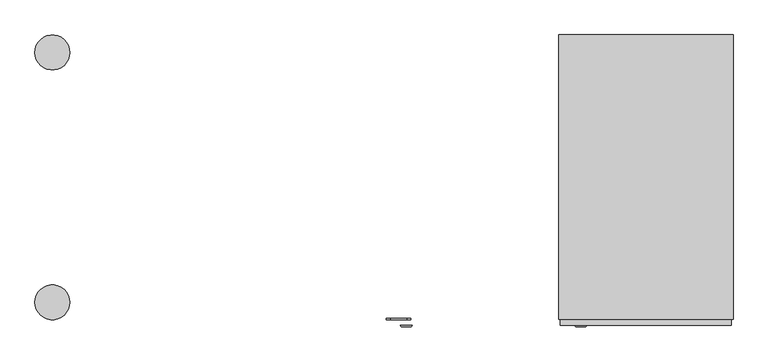
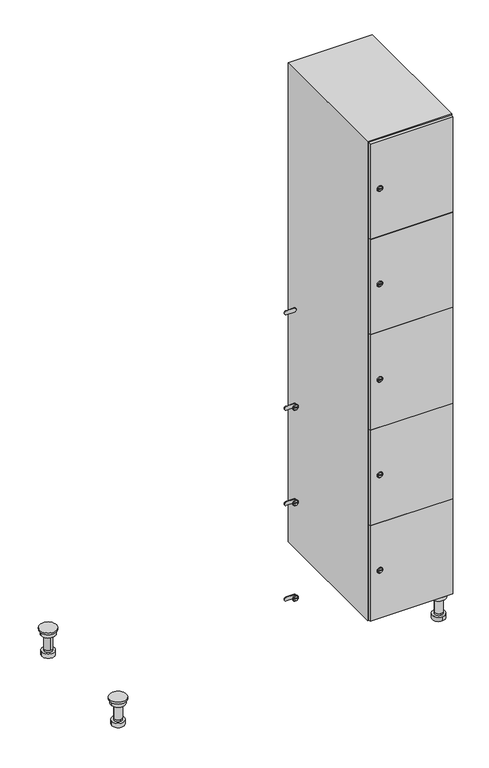
"""IFC4 building model written with IfcOpenShell, lengths in millimetres: furniture geometry."""

from ifc_helpers import new_model, si_unit, point, frame, frame_2d, origin, place, context, project, spatial, polyline, circle_curve, trimmed, segment, composite_curve, outline, extrude, faceted_brep, source, transform, mapped, element, save
from ifc_brep_helpers import plane_surface, cylinder_surface, revolved_surface, advanced_brep


def furniture_2a9c1879(model_context):
    return source(origin(), model_context, "Body", "SolidModel", [
        advanced_brep(
        [(970.0, -201.0, 22.0), (970.0, -201.5, 16.0), (970.0, -228.5, 16.0), (970.0, -229.0, 22.0), (956.0, -215.0, 22.0), (984.0, -215.0, 22.0), (970.0, -192.5, 16.0), (970.0, -237.5, 16.0), (970.0, -192.5, 0.0), (970.0, -237.5, 0.0), (984.0, -215.0, 78.0), (956.0, -215.0, 78.0), (995.0, -215.0, 78.0), (945.0, -215.0, 78.0), (1000.0, -215.0, 94.0), (940.0, -215.0, 94.0), (945.0, -215.0, 94.0), (995.0, -215.0, 94.0), (1000.0, -215.0, 100.0), (940.0, -215.0, 100.0)],
        [
            (0, 1),
            (1, 2, circle_curve(frame((970.0, -215.0, 16.0), z_axis=(0.0, 0.0, 1.0), x_axis=(0.0, -1.0, 0.0)), 13.5)),
            (2, 3),
            (3, 4, circle_curve(frame((970.0, -215.0, 22.0), z_axis=(0.0, 0.0, -1.0), x_axis=(0.0, -1.0, 0.0)), 14.0)),
            (4, 0, circle_curve(frame((970.0, -215.0, 22.0), z_axis=(0.0, 0.0, -1.0), x_axis=(0.0, -1.0, 0.0)), 14.0)),
            (0, 5, circle_curve(frame((970.0, -215.0, 22.0), z_axis=(0.0, 0.0, -1.0), x_axis=(0.0, 1.0, 0.0)), 14.0)),
            (5, 3, circle_curve(frame((970.0, -215.0, 22.0), z_axis=(0.0, 0.0, -1.0), x_axis=(0.0, 1.0, 0.0)), 14.0)),
            (2, 1, circle_curve(frame((970.0, -215.0, 16.0), z_axis=(0.0, 0.0, 1.0), x_axis=(0.0, 1.0, 0.0)), 13.5)),
            (6, 7, circle_curve(frame((970.0, -215.0, 16.0), z_axis=(0.0, 0.0, 1.0), x_axis=(0.0, -1.0, 0.0)), 22.5)),
            (7, 6, circle_curve(frame((970.0, -215.0, 16.0), z_axis=(0.0, 0.0, 1.0), x_axis=(0.0, -1.0, 0.0)), 22.5)),
            (8, 9, circle_curve(frame((970.0, -215.0, 0.0), z_axis=(0.0, 0.0, -1.0), x_axis=(0.0, -1.0, 0.0)), 22.5)),
            (9, 8, circle_curve(frame((970.0, -215.0, 0.0), z_axis=(0.0, 0.0, -1.0), x_axis=(0.0, -1.0, 0.0)), 22.5)),
            (6, 8),
            (9, 7),
            (5, 10),
            (10, 11, circle_curve(frame((970.0, -215.0, 78.0), z_axis=(0.0, 0.0, -1.0), x_axis=(-1.0, 0.0, 0.0)), 14.0)),
            (11, 4),
            (11, 10, circle_curve(frame((970.0, -215.0, 78.0), z_axis=(0.0, 0.0, -1.0), x_axis=(-1.0, 0.0, 0.0)), 14.0)),
            (12, 13, circle_curve(frame((970.0, -215.0, 78.0), z_axis=(0.0, 0.0, -1.0), x_axis=(-1.0, 0.0, 0.0)), 25.0)),
            (13, 12, circle_curve(frame((970.0, -215.0, 78.0), z_axis=(0.0, 0.0, -1.0), x_axis=(-1.0, 0.0, 0.0)), 25.0)),
            (14, 15, circle_curve(frame((970.0, -215.0, 94.0), z_axis=(0.0, 0.0, -1.0), x_axis=(-1.0, 0.0, 0.0)), 30.0)),
            (15, 14, circle_curve(frame((970.0, -215.0, 94.0), z_axis=(0.0, 0.0, -1.0), x_axis=(-1.0, 0.0, 0.0)), 30.0)),
            (16, 17, circle_curve(frame((970.0, -215.0, 94.0), z_axis=(0.0, 0.0, 1.0), x_axis=(-1.0, 0.0, 0.0)), 25.0)),
            (17, 16, circle_curve(frame((970.0, -215.0, 94.0), z_axis=(0.0, 0.0, 1.0), x_axis=(-1.0, 0.0, 0.0)), 25.0)),
            (18, 19, circle_curve(frame((970.0, -215.0, 100.0), z_axis=(0.0, 0.0, 1.0), x_axis=(-1.0, 0.0, 0.0)), 30.0)),
            (19, 18, circle_curve(frame((970.0, -215.0, 100.0), z_axis=(0.0, 0.0, 1.0), x_axis=(-1.0, 0.0, 0.0)), 30.0)),
            (14, 18),
            (19, 15),
            (12, 17),
            (16, 13),
        ],
        [
            revolved_surface(polyline([(970.0, -201.5, 16.0), (970.0, -201.0, 22.0)]), (970.0, -215.0, -146.0), (0.0, 0.0, 1.0)),
            plane_surface(frame((970.0, 0.0, 16.0), z_axis=(0.0, 0.0, 1.0), x_axis=(0.0, -1.0, 0.0))),
            plane_surface(frame((970.0, 0.0, 0.0), z_axis=(0.0, 0.0, -1.0), x_axis=(0.0, -1.0, 0.0))),
            cylinder_surface(frame((970.0, -215.0, 16.0), z_axis=(0.0, 0.0, 1.0), x_axis=(0.0, -1.0, 0.0)), 22.5),
            cylinder_surface(frame((970.0, -215.0, 22.0), z_axis=(0.0, 0.0, -1.0), x_axis=(-1.0, 0.0, 0.0)), 14.0),
            plane_surface(frame((970.0, 0.0, 78.0), z_axis=(0.0, 0.0, -1.0), x_axis=(0.0, -1.0, 0.0))),
            plane_surface(frame((970.0, 0.0, 94.0), z_axis=(0.0, 0.0, -1.0), x_axis=(0.0, -1.0, 0.0))),
            plane_surface(frame((970.0, 0.0, 100.0), z_axis=(0.0, 0.0, 1.0), x_axis=(0.0, -1.0, 0.0))),
            cylinder_surface(frame((970.0, -215.0, 94.0), z_axis=(0.0, 0.0, -1.0), x_axis=(-1.0, 0.0, 0.0)), 30.0),
            cylinder_surface(frame((970.0, -215.0, 78.0), z_axis=(0.0, 0.0, -1.0), x_axis=(-1.0, 0.0, 0.0)), 25.0),
        ],
        [
            (0, [[1, 2, 3, 4, 5]]),
            (0, [[-1, 6, 7, -3, 8]]),
            (1, [[9, 10], [-2, -8]]),
            (2, [[11, 12]]),
            (3, [[-9, 13, -12, 14]]),
            (3, [[-10, -14, -11, -13]]),
            (4, [[15, 16, 17, -4, -7]]),
            (4, [[-15, -6, -5, -17, 18]]),
            (5, [[19, 20], [-16, -18]]),
            (6, [[21, 22], [23, 24]]),
            (7, [[25, 26]]),
            (8, [[-21, 27, -26, 28]]),
            (8, [[-22, -28, -25, -27]]),
            (9, [[-19, 29, -23, 30]]),
            (9, [[-20, -30, -24, -29]]),
        ],
    ),
        advanced_brep(
        [(-170.0, -201.0, 22.0), (-170.0, -201.5, 16.0), (-170.0, -228.5, 16.0), (-170.0, -229.0, 22.0), (-184.0, -215.0, 22.0), (-156.0, -215.0, 22.0), (-147.5, -215.0, 0.0), (-192.5, -215.0, 0.0), (-147.5, -215.0, 16.0), (-192.5, -215.0, 16.0), (-156.0, -215.0, 78.0), (-184.0, -215.0, 78.0), (-145.0, -215.0, 78.0), (-195.0, -215.0, 78.0), (-140.0, -215.0, 94.0), (-200.0, -215.0, 94.0), (-195.0, -215.0, 94.0), (-145.0, -215.0, 94.0), (-140.0, -215.0, 100.0), (-200.0, -215.0, 100.0)],
        [
            (0, 1),
            (1, 2, circle_curve(frame((-170.0, -215.0, 16.0), z_axis=(0.0, 0.0, 1.0), x_axis=(0.0, -1.0, 0.0)), 13.5)),
            (2, 3),
            (3, 4, circle_curve(frame((-170.0, -215.0, 22.0), z_axis=(0.0, 0.0, -1.0), x_axis=(0.0, -1.0, 0.0)), 14.0)),
            (4, 0, circle_curve(frame((-170.0, -215.0, 22.0), z_axis=(0.0, 0.0, -1.0), x_axis=(0.0, -1.0, 0.0)), 14.0)),
            (0, 5, circle_curve(frame((-170.0, -215.0, 22.0), z_axis=(0.0, 0.0, -1.0), x_axis=(0.0, 1.0, 0.0)), 14.0)),
            (5, 3, circle_curve(frame((-170.0, -215.0, 22.0), z_axis=(0.0, 0.0, -1.0), x_axis=(0.0, 1.0, 0.0)), 14.0)),
            (2, 1, circle_curve(frame((-170.0, -215.0, 16.0), z_axis=(0.0, 0.0, 1.0), x_axis=(0.0, 1.0, 0.0)), 13.5)),
            (6, 7, circle_curve(frame((-170.0, -215.0, 0.0), z_axis=(0.0, 0.0, -1.0), x_axis=(-1.0, 0.0, 0.0)), 22.5)),
            (7, 6, circle_curve(frame((-170.0, -215.0, 0.0), z_axis=(0.0, 0.0, -1.0), x_axis=(-1.0, 0.0, 0.0)), 22.5)),
            (8, 9, circle_curve(frame((-170.0, -215.0, 16.0), z_axis=(0.0, 0.0, 1.0), x_axis=(-1.0, 0.0, 0.0)), 22.5)),
            (9, 8, circle_curve(frame((-170.0, -215.0, 16.0), z_axis=(0.0, 0.0, 1.0), x_axis=(-1.0, 0.0, 0.0)), 22.5)),
            (6, 8),
            (9, 7),
            (5, 10),
            (10, 11, circle_curve(frame((-170.0, -215.0, 78.0), z_axis=(0.0, 0.0, -1.0), x_axis=(-1.0, 0.0, 0.0)), 14.0)),
            (11, 4),
            (11, 10, circle_curve(frame((-170.0, -215.0, 78.0), z_axis=(0.0, 0.0, -1.0), x_axis=(-1.0, 0.0, 0.0)), 14.0)),
            (12, 13, circle_curve(frame((-170.0, -215.0, 78.0), z_axis=(0.0, 0.0, -1.0), x_axis=(-1.0, 0.0, 0.0)), 25.0)),
            (13, 12, circle_curve(frame((-170.0, -215.0, 78.0), z_axis=(0.0, 0.0, -1.0), x_axis=(-1.0, 0.0, 0.0)), 25.0)),
            (14, 15, circle_curve(frame((-170.0, -215.0, 94.0), z_axis=(0.0, 0.0, -1.0), x_axis=(-1.0, 0.0, 0.0)), 30.0)),
            (15, 14, circle_curve(frame((-170.0, -215.0, 94.0), z_axis=(0.0, 0.0, -1.0), x_axis=(-1.0, 0.0, 0.0)), 30.0)),
            (16, 17, circle_curve(frame((-170.0, -215.0, 94.0), z_axis=(0.0, 0.0, 1.0), x_axis=(-1.0, 0.0, 0.0)), 25.0)),
            (17, 16, circle_curve(frame((-170.0, -215.0, 94.0), z_axis=(0.0, 0.0, 1.0), x_axis=(-1.0, 0.0, 0.0)), 25.0)),
            (18, 19, circle_curve(frame((-170.0, -215.0, 100.0), z_axis=(0.0, 0.0, 1.0), x_axis=(-1.0, 0.0, 0.0)), 30.0)),
            (19, 18, circle_curve(frame((-170.0, -215.0, 100.0), z_axis=(0.0, 0.0, 1.0), x_axis=(-1.0, 0.0, 0.0)), 30.0)),
            (14, 18),
            (19, 15),
            (12, 17),
            (16, 13),
        ],
        [
            revolved_surface(polyline([(-170.0, -201.5, 16.0), (-170.0, -201.0, 22.0)]), (-170.0, -215.0, -146.0), (0.0, 0.0, 1.0)),
            plane_surface(frame((-170.0, 0.0, 0.0), z_axis=(0.0, 0.0, -1.0), x_axis=(0.0, -1.0, 0.0))),
            plane_surface(frame((-170.0, 0.0, 16.0), z_axis=(0.0, 0.0, 1.0), x_axis=(0.0, -1.0, 0.0))),
            cylinder_surface(frame((-170.0, -215.0, 0.0), z_axis=(0.0, 0.0, -1.0), x_axis=(-1.0, 0.0, 0.0)), 22.5),
            cylinder_surface(frame((-170.0, -215.0, 22.0), z_axis=(0.0, 0.0, -1.0), x_axis=(-1.0, 0.0, 0.0)), 14.0),
            plane_surface(frame((-170.0, 0.0, 78.0), z_axis=(0.0, 0.0, -1.0), x_axis=(0.0, -1.0, 0.0))),
            plane_surface(frame((-170.0, 0.0, 94.0), z_axis=(0.0, 0.0, -1.0), x_axis=(0.0, -1.0, 0.0))),
            plane_surface(frame((-170.0, 0.0, 100.0), z_axis=(0.0, 0.0, 1.0), x_axis=(0.0, -1.0, 0.0))),
            cylinder_surface(frame((-170.0, -215.0, 94.0), z_axis=(0.0, 0.0, -1.0), x_axis=(-1.0, 0.0, 0.0)), 30.0),
            cylinder_surface(frame((-170.0, -215.0, 78.0), z_axis=(0.0, 0.0, -1.0), x_axis=(-1.0, 0.0, 0.0)), 25.0),
        ],
        [
            (0, [[1, 2, 3, 4, 5]]),
            (0, [[-1, 6, 7, -3, 8]]),
            (1, [[9, 10]]),
            (2, [[11, 12], [-2, -8]]),
            (3, [[-9, 13, -12, 14]]),
            (3, [[-10, -14, -11, -13]]),
            (4, [[15, 16, 17, -4, -7]]),
            (4, [[-15, -6, -5, -17, 18]]),
            (5, [[19, 20], [-16, -18]]),
            (6, [[21, 22], [23, 24]]),
            (7, [[25, 26]]),
            (8, [[-21, 27, -26, 28]]),
            (8, [[-22, -28, -25, -27]]),
            (9, [[-19, 29, -23, 30]]),
            (9, [[-20, -30, -24, -29]]),
        ],
    ),
        advanced_brep(
        [(983.5, 215.0, 16.0), (984.0, 215.0, 22.0), (956.0, 215.0, 22.0), (956.5, 215.0, 16.0), (992.5, 215.0, 0.0), (947.5, 215.0, 0.0), (992.5, 215.0, 16.0), (947.5, 215.0, 16.0), (984.0, 215.0, 78.0), (956.0, 215.0, 78.0), (995.0, 215.0, 78.0), (945.0, 215.0, 78.0), (1000.0, 215.0, 94.0), (940.0, 215.0, 94.0), (945.0, 215.0, 94.0), (995.0, 215.0, 94.0), (1000.0, 215.0, 100.0), (940.0, 215.0, 100.0)],
        [
            (0, 1),
            (1, 2, circle_curve(frame((970.0, 215.0, 22.0), z_axis=(0.0, 0.0, -1.0), x_axis=(-1.0, 0.0, 0.0)), 14.0)),
            (2, 3),
            (3, 0, circle_curve(frame((970.0, 215.0, 16.0), z_axis=(0.0, 0.0, 1.0), x_axis=(-1.0, 0.0, 0.0)), 13.5)),
            (0, 3, circle_curve(frame((970.0, 215.0, 16.0), z_axis=(0.0, 0.0, 1.0), x_axis=(1.0, 0.0, 0.0)), 13.5)),
            (2, 1, circle_curve(frame((970.0, 215.0, 22.0), z_axis=(0.0, 0.0, -1.0), x_axis=(1.0, 0.0, 0.0)), 14.0)),
            (4, 5, circle_curve(frame((970.0, 215.0, 0.0), z_axis=(0.0, 0.0, -1.0), x_axis=(-1.0, 0.0, 0.0)), 22.5)),
            (5, 4, circle_curve(frame((970.0, 215.0, 0.0), z_axis=(0.0, 0.0, -1.0), x_axis=(-1.0, 0.0, 0.0)), 22.5)),
            (6, 7, circle_curve(frame((970.0, 215.0, 16.0), z_axis=(0.0, 0.0, 1.0), x_axis=(-1.0, 0.0, 0.0)), 22.5)),
            (7, 6, circle_curve(frame((970.0, 215.0, 16.0), z_axis=(0.0, 0.0, 1.0), x_axis=(-1.0, 0.0, 0.0)), 22.5)),
            (4, 6),
            (7, 5),
            (1, 8),
            (8, 9, circle_curve(frame((970.0, 215.0, 78.0), z_axis=(0.0, 0.0, -1.0), x_axis=(-1.0, 0.0, 0.0)), 14.0)),
            (9, 2),
            (9, 8, circle_curve(frame((970.0, 215.0, 78.0), z_axis=(0.0, 0.0, -1.0), x_axis=(-1.0, 0.0, 0.0)), 14.0)),
            (10, 11, circle_curve(frame((970.0, 215.0, 78.0), z_axis=(0.0, 0.0, -1.0), x_axis=(-1.0, 0.0, 0.0)), 25.0)),
            (11, 10, circle_curve(frame((970.0, 215.0, 78.0), z_axis=(0.0, 0.0, -1.0), x_axis=(-1.0, 0.0, 0.0)), 25.0)),
            (12, 13, circle_curve(frame((970.0, 215.0, 94.0), z_axis=(0.0, 0.0, -1.0), x_axis=(-1.0, 0.0, 0.0)), 30.0)),
            (13, 12, circle_curve(frame((970.0, 215.0, 94.0), z_axis=(0.0, 0.0, -1.0), x_axis=(-1.0, 0.0, 0.0)), 30.0)),
            (14, 15, circle_curve(frame((970.0, 215.0, 94.0), z_axis=(0.0, 0.0, 1.0), x_axis=(-1.0, 0.0, 0.0)), 25.0)),
            (15, 14, circle_curve(frame((970.0, 215.0, 94.0), z_axis=(0.0, 0.0, 1.0), x_axis=(-1.0, 0.0, 0.0)), 25.0)),
            (16, 17, circle_curve(frame((970.0, 215.0, 100.0), z_axis=(0.0, 0.0, 1.0), x_axis=(-1.0, 0.0, 0.0)), 30.0)),
            (17, 16, circle_curve(frame((970.0, 215.0, 100.0), z_axis=(0.0, 0.0, 1.0), x_axis=(-1.0, 0.0, 0.0)), 30.0)),
            (12, 16),
            (17, 13),
            (10, 15),
            (14, 11),
        ],
        [
            revolved_surface(polyline([(983.5, 215.0, 16.0), (984.0, 215.0, 22.0)]), (970.0, 215.0, -146.0), (0.0, 0.0, 1.0)),
            plane_surface(frame((970.0, 0.0, 0.0), z_axis=(0.0, 0.0, -1.0), x_axis=(0.0, -1.0, 0.0))),
            plane_surface(frame((970.0, 0.0, 16.0), z_axis=(0.0, 0.0, 1.0), x_axis=(0.0, -1.0, 0.0))),
            cylinder_surface(frame((970.0, 215.0, 0.0), z_axis=(0.0, 0.0, -1.0), x_axis=(-1.0, 0.0, 0.0)), 22.5),
            cylinder_surface(frame((970.0, 215.0, 22.0), z_axis=(0.0, 0.0, -1.0), x_axis=(-1.0, 0.0, 0.0)), 14.0),
            plane_surface(frame((970.0, 0.0, 78.0), z_axis=(0.0, 0.0, -1.0), x_axis=(0.0, -1.0, 0.0))),
            plane_surface(frame((970.0, 0.0, 94.0), z_axis=(0.0, 0.0, -1.0), x_axis=(0.0, -1.0, 0.0))),
            plane_surface(frame((970.0, 0.0, 100.0), z_axis=(0.0, 0.0, 1.0), x_axis=(0.0, -1.0, 0.0))),
            cylinder_surface(frame((970.0, 215.0, 94.0), z_axis=(0.0, 0.0, -1.0), x_axis=(-1.0, 0.0, 0.0)), 30.0),
            cylinder_surface(frame((970.0, 215.0, 78.0), z_axis=(0.0, 0.0, -1.0), x_axis=(-1.0, 0.0, 0.0)), 25.0),
        ],
        [
            (0, [[1, 2, 3, 4]]),
            (0, [[-1, 5, -3, 6]]),
            (1, [[7, 8]]),
            (2, [[9, 10], [-4, -5]]),
            (3, [[-7, 11, -10, 12]]),
            (3, [[-8, -12, -9, -11]]),
            (4, [[13, 14, 15, -2]]),
            (4, [[-13, -6, -15, 16]]),
            (5, [[17, 18], [-14, -16]]),
            (6, [[19, 20], [21, 22]]),
            (7, [[23, 24]]),
            (8, [[-19, 25, -24, 26]]),
            (8, [[-20, -26, -23, -25]]),
            (9, [[-17, 27, -21, 28]]),
            (9, [[-18, -28, -22, -27]]),
        ],
    ),
        advanced_brep(
        [(-156.5, 215.0, 16.0), (-156.0, 215.0, 22.0), (-170.0, 201.0, 22.0), (-184.0, 215.0, 22.0), (-183.5, 215.0, 16.0), (-170.0, 229.0, 22.0), (-147.5, 215.0, 0.0), (-192.5, 215.0, 0.0), (-147.5, 215.0, 16.0), (-192.5, 215.0, 16.0), (-170.0, 229.0, 78.0), (-170.0, 201.0, 78.0), (-145.0, 215.0, 78.0), (-195.0, 215.0, 78.0), (-140.0, 215.0, 94.0), (-200.0, 215.0, 94.0), (-195.0, 215.0, 94.0), (-145.0, 215.0, 94.0), (-140.0, 215.0, 100.0), (-200.0, 215.0, 100.0)],
        [
            (0, 1),
            (1, 2, circle_curve(frame((-170.0, 215.0, 22.0), z_axis=(0.0, 0.0, -1.0), x_axis=(-1.0, 0.0, 0.0)), 14.0)),
            (2, 3, circle_curve(frame((-170.0, 215.0, 22.0), z_axis=(0.0, 0.0, -1.0), x_axis=(-1.0, 0.0, 0.0)), 14.0)),
            (3, 4),
            (4, 0, circle_curve(frame((-170.0, 215.0, 16.0), z_axis=(0.0, 0.0, 1.0), x_axis=(-1.0, 0.0, 0.0)), 13.5)),
            (0, 4, circle_curve(frame((-170.0, 215.0, 16.0), z_axis=(0.0, 0.0, 1.0), x_axis=(1.0, 0.0, 0.0)), 13.5)),
            (3, 5, circle_curve(frame((-170.0, 215.0, 22.0), z_axis=(0.0, 0.0, -1.0), x_axis=(1.0, 0.0, 0.0)), 14.0)),
            (5, 1, circle_curve(frame((-170.0, 215.0, 22.0), z_axis=(0.0, 0.0, -1.0), x_axis=(1.0, 0.0, 0.0)), 14.0)),
            (6, 7, circle_curve(frame((-170.0, 215.0, 0.0), z_axis=(0.0, 0.0, -1.0), x_axis=(-1.0, 0.0, 0.0)), 22.5)),
            (7, 6, circle_curve(frame((-170.0, 215.0, 0.0), z_axis=(0.0, 0.0, -1.0), x_axis=(-1.0, 0.0, 0.0)), 22.5)),
            (8, 9, circle_curve(frame((-170.0, 215.0, 16.0), z_axis=(0.0, 0.0, 1.0), x_axis=(-1.0, 0.0, 0.0)), 22.5)),
            (9, 8, circle_curve(frame((-170.0, 215.0, 16.0), z_axis=(0.0, 0.0, 1.0), x_axis=(-1.0, 0.0, 0.0)), 22.5)),
            (6, 8),
            (9, 7),
            (10, 5),
            (2, 11),
            (11, 10, circle_curve(frame((-170.0, 215.0, 78.0), z_axis=(0.0, 0.0, -1.0), x_axis=(0.0, -1.0, 0.0)), 14.0)),
            (10, 11, circle_curve(frame((-170.0, 215.0, 78.0), z_axis=(0.0, 0.0, -1.0), x_axis=(0.0, -1.0, 0.0)), 14.0)),
            (12, 13, circle_curve(frame((-170.0, 215.0, 78.0), z_axis=(0.0, 0.0, -1.0), x_axis=(-1.0, 0.0, 0.0)), 25.0)),
            (13, 12, circle_curve(frame((-170.0, 215.0, 78.0), z_axis=(0.0, 0.0, -1.0), x_axis=(-1.0, 0.0, 0.0)), 25.0)),
            (14, 15, circle_curve(frame((-170.0, 215.0, 94.0), z_axis=(0.0, 0.0, -1.0), x_axis=(-1.0, 0.0, 0.0)), 30.0)),
            (15, 14, circle_curve(frame((-170.0, 215.0, 94.0), z_axis=(0.0, 0.0, -1.0), x_axis=(-1.0, 0.0, 0.0)), 30.0)),
            (16, 17, circle_curve(frame((-170.0, 215.0, 94.0), z_axis=(0.0, 0.0, 1.0), x_axis=(-1.0, 0.0, 0.0)), 25.0)),
            (17, 16, circle_curve(frame((-170.0, 215.0, 94.0), z_axis=(0.0, 0.0, 1.0), x_axis=(-1.0, 0.0, 0.0)), 25.0)),
            (18, 19, circle_curve(frame((-170.0, 215.0, 100.0), z_axis=(0.0, 0.0, 1.0), x_axis=(-1.0, 0.0, 0.0)), 30.0)),
            (19, 18, circle_curve(frame((-170.0, 215.0, 100.0), z_axis=(0.0, 0.0, 1.0), x_axis=(-1.0, 0.0, 0.0)), 30.0)),
            (14, 18),
            (19, 15),
            (12, 17),
            (16, 13),
        ],
        [
            revolved_surface(polyline([(-156.5, 215.0, 16.0), (-156.0, 215.0, 22.0)]), (-170.0, 215.0, -146.0), (0.0, 0.0, 1.0)),
            plane_surface(frame((-170.0, 0.0, 0.0), z_axis=(0.0, 0.0, -1.0), x_axis=(0.0, -1.0, 0.0))),
            plane_surface(frame((-170.0, 0.0, 16.0), z_axis=(0.0, 0.0, 1.0), x_axis=(0.0, -1.0, 0.0))),
            cylinder_surface(frame((-170.0, 215.0, 0.0), z_axis=(0.0, 0.0, -1.0), x_axis=(-1.0, 0.0, 0.0)), 22.5),
            cylinder_surface(frame((-170.0, 215.0, 78.0), z_axis=(0.0, 0.0, 1.0), x_axis=(0.0, -1.0, 0.0)), 14.0),
            plane_surface(frame((-170.0, 0.0, 78.0), z_axis=(0.0, 0.0, -1.0), x_axis=(0.0, -1.0, 0.0))),
            plane_surface(frame((-170.0, 0.0, 94.0), z_axis=(0.0, 0.0, -1.0), x_axis=(0.0, -1.0, 0.0))),
            plane_surface(frame((-170.0, 0.0, 100.0), z_axis=(0.0, 0.0, 1.0), x_axis=(0.0, -1.0, 0.0))),
            cylinder_surface(frame((-170.0, 215.0, 94.0), z_axis=(0.0, 0.0, -1.0), x_axis=(-1.0, 0.0, 0.0)), 30.0),
            cylinder_surface(frame((-170.0, 215.0, 78.0), z_axis=(0.0, 0.0, -1.0), x_axis=(-1.0, 0.0, 0.0)), 25.0),
        ],
        [
            (0, [[1, 2, 3, 4, 5]]),
            (0, [[-1, 6, -4, 7, 8]]),
            (1, [[9, 10]]),
            (2, [[11, 12], [-5, -6]]),
            (3, [[-9, 13, -12, 14]]),
            (3, [[-10, -14, -11, -13]]),
            (4, [[15, -7, -3, 16, 17]]),
            (4, [[-15, 18, -16, -2, -8]]),
            (5, [[19, 20], [-17, -18]]),
            (6, [[21, 22], [23, 24]]),
            (7, [[25, 26]]),
            (8, [[-21, 27, -26, 28]]),
            (8, [[-22, -28, -25, -27]]),
            (9, [[-19, 29, -23, 30]]),
            (9, [[-20, -30, -24, -29]]),
        ],
    ),
        extrude(outline(composite_curve([segment(trimmed(circle_curve(frame_2d((282.4, 711.2010534)), 7.0), [point((289.4, 711.2010534))], [point((275.4, 711.2010534))], False, "CARTESIAN"), True, "CONTINUOUS"), segment(polyline([(275.4, 711.2010534), (275.4, 739.2010534)]), True, "CONTINUOUS"), segment(trimmed(circle_curve(frame_2d((282.4, 739.2010534)), 7.0), [point((275.4, 739.2010534))], [point((289.4, 739.2010534))], False, "CARTESIAN"), True, "CONTINUOUS"), segment(polyline([(289.4, 739.2010534), (289.4, 711.2010534)]), True, "CONTINUOUS")], self_intersect=False)), frame((0.0, -245.0, 0.0), z_axis=(0.0, 1.0, 0.0), x_axis=(0.0, 0.0, 1.0)), (0.0, 0.0, 1.0), 2.0),
        advanced_brep(
        [(746.5, -257.2, 282.4), (729.5, -257.2, 282.4), (733.0, -257.2, 281.15), (733.0, -257.2, 283.65), (743.0, -257.2, 283.65), (743.0, -257.2, 281.15), (748.5, -255.0, 282.4), (727.5, -255.0, 282.4), (733.0, -255.0, 283.65), (733.0, -255.0, 281.15), (743.0, -255.0, 281.15), (743.0, -255.0, 283.65)],
        [
            (0, 1, circle_curve(frame((738.0, -257.2, 282.4), z_axis=(0.0, -1.0, 0.0), x_axis=(1.0, 0.0, 0.0)), 8.5)),
            (1, 0, circle_curve(frame((738.0, -257.2, 282.4), z_axis=(0.0, -1.0, 0.0), x_axis=(-1.0, 0.0, 0.0)), 8.5)),
            (2, 3),
            (3, 4),
            (4, 5),
            (5, 2),
            (6, 7, circle_curve(frame((738.0, -255.0, 282.4), z_axis=(0.0, 1.0, 0.0), x_axis=(-1.0, 0.0, 0.0)), 10.5)),
            (7, 6, circle_curve(frame((738.0, -255.0, 282.4), z_axis=(0.0, 1.0, 0.0), x_axis=(1.0, 0.0, 0.0)), 10.5)),
            (8, 9),
            (9, 10),
            (10, 11),
            (11, 8),
            (0, 6),
            (7, 1),
            (8, 3),
            (2, 9),
            (11, 4),
            (10, 5),
        ],
        [
            plane_surface(frame((738.0, -257.2, 282.4), z_axis=(0.0, -1.0, 0.0), x_axis=(0.0, 0.0, 1.0))),
            plane_surface(frame((738.0, -255.0, 282.4), z_axis=(0.0, 1.0, 0.0), x_axis=(0.0, 0.0, 1.0))),
            revolved_surface(polyline([(746.5, -257.2, 282.4), (748.5, -255.0, 282.4)]), (738.0, -266.55, 282.4), (0.0, 1.0, 0.0)),
            revolved_surface(polyline([(729.5, -257.2, 282.4), (727.5, -255.0, 282.4)]), (738.0, -266.55, 282.4), (0.0, 1.0, 0.0)),
            plane_surface(frame((733.0, -255.0, 281.15), z_axis=(1.0, 0.0, 0.0), x_axis=(0.0, -1.0, 0.0))),
            plane_surface(frame((733.0, -255.0, 283.65), z_axis=(0.0, 0.0, -1.0), x_axis=(0.0, -1.0, 0.0))),
            plane_surface(frame((743.0, -255.0, 283.65), z_axis=(-1.0, 0.0, 0.0), x_axis=(0.0, -1.0, 0.0))),
            plane_surface(frame((743.0, -255.0, 281.15), z_axis=(0.0, 0.0, 1.0), x_axis=(0.0, -1.0, 0.0))),
        ],
        [
            (0, [[1, 2], [3, 4, 5, 6]]),
            (1, [[7, 8], [9, 10, 11, 12]]),
            (2, [[-1, 13, -8, 14]]),
            (3, [[-2, -14, -7, -13]]),
            (4, [[15, -3, 16, -9]]),
            (5, [[-15, -12, 17, -4]]),
            (6, [[-17, -11, 18, -5]]),
            (7, [[-16, -6, -18, -10]]),
        ],
    ),
        extrude(outline(composite_curve([segment(trimmed(circle_curve(frame_2d((641.2, 711.2010534)), 7.0), [point((648.2, 711.2010534))], [point((634.2, 711.2010534))], False, "CARTESIAN"), True, "CONTINUOUS"), segment(polyline([(634.2, 711.2010534), (634.2, 739.2010534)]), True, "CONTINUOUS"), segment(trimmed(circle_curve(frame_2d((641.2, 739.2010534)), 7.0), [point((634.2, 739.2010534))], [point((648.2, 739.2010534))], False, "CARTESIAN"), True, "CONTINUOUS"), segment(polyline([(648.2, 739.2010534), (648.2, 711.2010534)]), True, "CONTINUOUS")], self_intersect=False)), frame((0.0, -245.0, 0.0), z_axis=(0.0, 1.0, 0.0), x_axis=(0.0, 0.0, 1.0)), (0.0, 0.0, 1.0), 2.0),
        advanced_brep(
        [(746.5, -257.2, 641.2), (729.5, -257.2, 641.2), (733.0, -257.2, 639.95), (733.0, -257.2, 642.45), (743.0, -257.2, 642.45), (743.0, -257.2, 639.95), (748.5, -255.0, 641.2), (727.5, -255.0, 641.2), (733.0, -255.0, 642.45), (733.0, -255.0, 639.95), (743.0, -255.0, 639.95), (743.0, -255.0, 642.45)],
        [
            (0, 1, circle_curve(frame((738.0, -257.2, 641.2), z_axis=(0.0, -1.0, 0.0), x_axis=(1.0, 0.0, 0.0)), 8.5)),
            (1, 0, circle_curve(frame((738.0, -257.2, 641.2), z_axis=(0.0, -1.0, 0.0), x_axis=(-1.0, 0.0, 0.0)), 8.5)),
            (2, 3),
            (3, 4),
            (4, 5),
            (5, 2),
            (6, 7, circle_curve(frame((738.0, -255.0, 641.2), z_axis=(0.0, 1.0, 0.0), x_axis=(-1.0, 0.0, 0.0)), 10.5)),
            (7, 6, circle_curve(frame((738.0, -255.0, 641.2), z_axis=(0.0, 1.0, 0.0), x_axis=(1.0, 0.0, 0.0)), 10.5)),
            (8, 9),
            (9, 10),
            (10, 11),
            (11, 8),
            (0, 6),
            (7, 1),
            (8, 3),
            (2, 9),
            (11, 4),
            (10, 5),
        ],
        [
            plane_surface(frame((738.0, -257.2, 641.2), z_axis=(0.0, -1.0, 0.0), x_axis=(0.0, 0.0, 1.0))),
            plane_surface(frame((738.0, -255.0, 641.2), z_axis=(0.0, 1.0, 0.0), x_axis=(0.0, 0.0, 1.0))),
            revolved_surface(polyline([(746.5, -257.2, 641.2), (748.5, -255.0, 641.2)]), (738.0, -266.55, 641.2), (0.0, 1.0, 0.0)),
            revolved_surface(polyline([(729.5, -257.2, 641.2), (727.5, -255.0, 641.2)]), (738.0, -266.55, 641.2), (0.0, 1.0, 0.0)),
            plane_surface(frame((733.0, -255.0, 639.95), z_axis=(1.0, 0.0, 0.0), x_axis=(0.0, -1.0, 0.0))),
            plane_surface(frame((733.0, -255.0, 642.45), z_axis=(0.0, 0.0, -1.0), x_axis=(0.0, -1.0, 0.0))),
            plane_surface(frame((743.0, -255.0, 642.45), z_axis=(-1.0, 0.0, 0.0), x_axis=(0.0, -1.0, 0.0))),
            plane_surface(frame((743.0, -255.0, 639.95), z_axis=(0.0, 0.0, 1.0), x_axis=(0.0, -1.0, 0.0))),
        ],
        [
            (0, [[1, 2], [3, 4, 5, 6]]),
            (1, [[7, 8], [9, 10, 11, 12]]),
            (2, [[-1, 13, -8, 14]]),
            (3, [[-2, -14, -7, -13]]),
            (4, [[15, -3, 16, -9]]),
            (5, [[-15, -12, 17, -4]]),
            (6, [[-17, -11, 18, -5]]),
            (7, [[-16, -6, -18, -10]]),
        ],
    ),
        extrude(outline(composite_curve([segment(trimmed(circle_curve(frame_2d((1000.0, 711.2010534)), 7.0), [point((1007.0, 711.2010534))], [point((993.0, 711.2010534))], False, "CARTESIAN"), True, "CONTINUOUS"), segment(polyline([(993.0, 711.2010534), (993.0, 739.2010534)]), True, "CONTINUOUS"), segment(trimmed(circle_curve(frame_2d((1000.0, 739.2010534)), 7.0), [point((993.0, 739.2010534))], [point((1007.0, 739.2010534))], False, "CARTESIAN"), True, "CONTINUOUS"), segment(polyline([(1007.0, 739.2010534), (1007.0, 711.2010534)]), True, "CONTINUOUS")], self_intersect=False)), frame((0.0, -245.0, 0.0), z_axis=(0.0, 1.0, 0.0), x_axis=(0.0, 0.0, 1.0)), (0.0, 0.0, 1.0), 2.0),
        advanced_brep(
        [(746.5, -257.2, 1000.0), (729.5, -257.2, 1000.0), (733.0, -257.2, 998.75), (733.0, -257.2, 1001.25), (743.0, -257.2, 1001.25), (743.0, -257.2, 998.75), (748.5, -255.0, 1000.0), (727.5, -255.0, 1000.0), (733.0, -255.0, 1001.25), (733.0, -255.0, 998.75), (743.0, -255.0, 998.75), (743.0, -255.0, 1001.25)],
        [
            (0, 1, circle_curve(frame((738.0, -257.2, 1000.0), z_axis=(0.0, -1.0, 0.0), x_axis=(1.0, 0.0, 0.0)), 8.5)),
            (1, 0, circle_curve(frame((738.0, -257.2, 1000.0), z_axis=(0.0, -1.0, 0.0), x_axis=(-1.0, 0.0, 0.0)), 8.5)),
            (2, 3),
            (3, 4),
            (4, 5),
            (5, 2),
            (6, 7, circle_curve(frame((738.0, -255.0, 1000.0), z_axis=(0.0, 1.0, 0.0), x_axis=(-1.0, 0.0, 0.0)), 10.5)),
            (7, 6, circle_curve(frame((738.0, -255.0, 1000.0), z_axis=(0.0, 1.0, 0.0), x_axis=(1.0, 0.0, 0.0)), 10.5)),
            (8, 9),
            (9, 10),
            (10, 11),
            (11, 8),
            (0, 6),
            (7, 1),
            (8, 3),
            (2, 9),
            (11, 4),
            (10, 5),
        ],
        [
            plane_surface(frame((738.0, -257.2, 1000.0), z_axis=(0.0, -1.0, 0.0), x_axis=(0.0, 0.0, 1.0))),
            plane_surface(frame((738.0, -255.0, 1000.0), z_axis=(0.0, 1.0, 0.0), x_axis=(0.0, 0.0, 1.0))),
            revolved_surface(polyline([(746.5, -257.2, 1000.0), (748.5, -255.0, 1000.0)]), (738.0, -266.55, 1000.0), (0.0, 1.0, 0.0)),
            revolved_surface(polyline([(729.5, -257.2, 1000.0), (727.5, -255.0, 1000.0)]), (738.0, -266.55, 1000.0), (0.0, 1.0, 0.0)),
            plane_surface(frame((733.0, -255.0, 998.75), z_axis=(1.0, 0.0, 0.0), x_axis=(0.0, -1.0, 0.0))),
            plane_surface(frame((733.0, -255.0, 1001.25), z_axis=(0.0, 0.0, -1.0), x_axis=(0.0, -1.0, 0.0))),
            plane_surface(frame((743.0, -255.0, 1001.25), z_axis=(-1.0, 0.0, 0.0), x_axis=(0.0, -1.0, 0.0))),
            plane_surface(frame((743.0, -255.0, 998.75), z_axis=(0.0, 0.0, 1.0), x_axis=(0.0, -1.0, 0.0))),
        ],
        [
            (0, [[1, 2], [3, 4, 5, 6]]),
            (1, [[7, 8], [9, 10, 11, 12]]),
            (2, [[-1, 13, -8, 14]]),
            (3, [[-2, -14, -7, -13]]),
            (4, [[15, -3, 16, -9]]),
            (5, [[-15, -12, 17, -4]]),
            (6, [[-17, -11, 18, -5]]),
            (7, [[-16, -6, -18, -10]]),
        ],
    ),
        extrude(outline(composite_curve([segment(trimmed(circle_curve(frame_2d((1358.8, 711.2010534)), 7.0), [point((1365.8, 711.2010534))], [point((1351.8, 711.2010534))], False, "CARTESIAN"), True, "CONTINUOUS"), segment(polyline([(1351.8, 711.2010534), (1351.8, 739.2010534)]), True, "CONTINUOUS"), segment(trimmed(circle_curve(frame_2d((1358.8, 739.2010534)), 7.0), [point((1351.8, 739.2010534))], [point((1365.8, 739.2010534))], False, "CARTESIAN"), True, "CONTINUOUS"), segment(polyline([(1365.8, 739.2010534), (1365.8, 711.2010534)]), True, "CONTINUOUS")], self_intersect=False)), frame((0.0, -245.0, 0.0), z_axis=(0.0, 1.0, 0.0), x_axis=(0.0, 0.0, 1.0)), (0.0, 0.0, 1.0), 2.0),
        advanced_brep(
        [(746.5, -257.2, 1358.8), (729.5, -257.2, 1358.8), (733.0, -257.2, 1357.55), (733.0, -257.2, 1360.05), (743.0, -257.2, 1360.05), (743.0, -257.2, 1357.55), (748.5, -255.0, 1358.8), (727.5, -255.0, 1358.8), (733.0, -255.0, 1360.05), (733.0, -255.0, 1357.55), (743.0, -255.0, 1357.55), (743.0, -255.0, 1360.05)],
        [
            (0, 1, circle_curve(frame((738.0, -257.2, 1358.8), z_axis=(0.0, -1.0, 0.0), x_axis=(1.0, 0.0, 0.0)), 8.5)),
            (1, 0, circle_curve(frame((738.0, -257.2, 1358.8), z_axis=(0.0, -1.0, 0.0), x_axis=(-1.0, 0.0, 0.0)), 8.5)),
            (2, 3),
            (3, 4),
            (4, 5),
            (5, 2),
            (6, 7, circle_curve(frame((738.0, -255.0, 1358.8), z_axis=(0.0, 1.0, 0.0), x_axis=(-1.0, 0.0, 0.0)), 10.5)),
            (7, 6, circle_curve(frame((738.0, -255.0, 1358.8), z_axis=(0.0, 1.0, 0.0), x_axis=(1.0, 0.0, 0.0)), 10.5)),
            (8, 9),
            (9, 10),
            (10, 11),
            (11, 8),
            (0, 6),
            (7, 1),
            (8, 3),
            (2, 9),
            (11, 4),
            (10, 5),
        ],
        [
            plane_surface(frame((738.0, -257.2, 1358.8), z_axis=(0.0, -1.0, 0.0), x_axis=(0.0, 0.0, 1.0))),
            plane_surface(frame((738.0, -255.0, 1358.8), z_axis=(0.0, 1.0, 0.0), x_axis=(0.0, 0.0, 1.0))),
            revolved_surface(polyline([(746.5, -257.2, 1358.8), (748.5, -255.0, 1358.8)]), (738.0, -266.55, 1358.8), (0.0, 1.0, 0.0)),
            revolved_surface(polyline([(729.5, -257.2, 1358.8), (727.5, -255.0, 1358.8)]), (738.0, -266.55, 1358.8), (0.0, 1.0, 0.0)),
            plane_surface(frame((733.0, -255.0, 1357.55), z_axis=(1.0, 0.0, 0.0), x_axis=(0.0, -1.0, 0.0))),
            plane_surface(frame((733.0, -255.0, 1360.05), z_axis=(0.0, 0.0, -1.0), x_axis=(0.0, -1.0, 0.0))),
            plane_surface(frame((743.0, -255.0, 1360.05), z_axis=(-1.0, 0.0, 0.0), x_axis=(0.0, -1.0, 0.0))),
            plane_surface(frame((743.0, -255.0, 1357.55), z_axis=(0.0, 0.0, 1.0), x_axis=(0.0, -1.0, 0.0))),
        ],
        [
            (0, [[1, 2], [3, 4, 5, 6]]),
            (1, [[7, 8], [9, 10, 11, 12]]),
            (2, [[-1, 13, -8, 14]]),
            (3, [[-2, -14, -7, -13]]),
            (4, [[15, -3, 16, -9]]),
            (5, [[-15, -12, 17, -4]]),
            (6, [[-17, -11, 18, -5]]),
            (7, [[-16, -6, -18, -10]]),
        ],
    ),
        extrude(outline(composite_curve([segment(trimmed(circle_curve(frame_2d((1717.6, 711.2010534)), 7.0), [point((1724.6, 711.2010534))], [point((1710.6, 711.2010534))], False, "CARTESIAN"), True, "CONTINUOUS"), segment(polyline([(1710.6, 711.2010534), (1710.6, 739.2010534)]), True, "CONTINUOUS"), segment(trimmed(circle_curve(frame_2d((1717.6, 739.2010534)), 7.0), [point((1710.6, 739.2010534))], [point((1724.6, 739.2010534))], False, "CARTESIAN"), True, "CONTINUOUS"), segment(polyline([(1724.6, 739.2010534), (1724.6, 711.2010534)]), True, "CONTINUOUS")], self_intersect=False)), frame((0.0, -245.0, 0.0), z_axis=(0.0, 1.0, 0.0), x_axis=(0.0, 0.0, 1.0)), (0.0, 0.0, 1.0), 2.0),
        advanced_brep(
        [(746.5, -257.2, 1717.6), (729.5, -257.2, 1717.6), (733.0, -257.2, 1716.35), (733.0, -257.2, 1718.85), (743.0, -257.2, 1718.85), (743.0, -257.2, 1716.35), (748.5, -255.0, 1717.6), (727.5, -255.0, 1717.6), (733.0, -255.0, 1718.85), (733.0, -255.0, 1716.35), (743.0, -255.0, 1716.35), (743.0, -255.0, 1718.85)],
        [
            (0, 1, circle_curve(frame((738.0, -257.2, 1717.6), z_axis=(0.0, -1.0, 0.0), x_axis=(1.0, 0.0, 0.0)), 8.5)),
            (1, 0, circle_curve(frame((738.0, -257.2, 1717.6), z_axis=(0.0, -1.0, 0.0), x_axis=(-1.0, 0.0, 0.0)), 8.5)),
            (2, 3),
            (3, 4),
            (4, 5),
            (5, 2),
            (6, 7, circle_curve(frame((738.0, -255.0, 1717.6), z_axis=(0.0, 1.0, 0.0), x_axis=(-1.0, 0.0, 0.0)), 10.5)),
            (7, 6, circle_curve(frame((738.0, -255.0, 1717.6), z_axis=(0.0, 1.0, 0.0), x_axis=(1.0, 0.0, 0.0)), 10.5)),
            (8, 9),
            (9, 10),
            (10, 11),
            (11, 8),
            (0, 6),
            (7, 1),
            (8, 3),
            (2, 9),
            (11, 4),
            (10, 5),
        ],
        [
            plane_surface(frame((738.0, -257.2, 1717.6), z_axis=(0.0, -1.0, 0.0), x_axis=(0.0, 0.0, 1.0))),
            plane_surface(frame((738.0, -255.0, 1717.6), z_axis=(0.0, 1.0, 0.0), x_axis=(0.0, 0.0, 1.0))),
            revolved_surface(polyline([(746.5, -257.2, 1717.6), (748.5, -255.0, 1717.6)]), (738.0, -266.55, 1717.6), (0.0, 1.0, 0.0)),
            revolved_surface(polyline([(729.5, -257.2, 1717.6), (727.5, -255.0, 1717.6)]), (738.0, -266.55, 1717.6), (0.0, 1.0, 0.0)),
            plane_surface(frame((733.0, -255.0, 1716.35), z_axis=(1.0, 0.0, 0.0), x_axis=(0.0, -1.0, 0.0))),
            plane_surface(frame((733.0, -255.0, 1718.85), z_axis=(0.0, 0.0, -1.0), x_axis=(0.0, -1.0, 0.0))),
            plane_surface(frame((743.0, -255.0, 1718.85), z_axis=(-1.0, 0.0, 0.0), x_axis=(0.0, -1.0, 0.0))),
            plane_surface(frame((743.0, -255.0, 1716.35), z_axis=(0.0, 0.0, 1.0), x_axis=(0.0, -1.0, 0.0))),
        ],
        [
            (0, [[1, 2], [3, 4, 5, 6]]),
            (1, [[7, 8], [9, 10, 11, 12]]),
            (2, [[-1, 13, -8, 14]]),
            (3, [[-2, -14, -7, -13]]),
            (4, [[15, -3, 16, -9]]),
            (5, [[-15, -12, 17, -4]]),
            (6, [[-17, -11, 18, -5]]),
            (7, [[-16, -6, -18, -10]]),
        ],
    ),
        extrude(outline(polyline([(997.0, -245.0), (997.0, -255.0), (703.0, -255.0), (703.0, -245.0), (997.0, -245.0)])), frame((0.0, 0.0, 820.1), z_axis=(0.0, 0.0, 1.0), x_axis=(1.0, 0.0, 0.0)), (0.0, 0.0, 1.0), 359.8),
        extrude(outline(polyline([(997.0, -245.0), (997.0, -255.0), (703.0, -255.0), (703.0, -245.0), (997.0, -245.0)])), frame((0.0, 0.0, 461.3), z_axis=(0.0, 0.0, 1.0), x_axis=(1.0, 0.0, 0.0)), (0.0, 0.0, 1.0), 359.8),
        extrude(outline(polyline([(997.0, -245.0), (997.0, -255.0), (703.0, -255.0), (703.0, -245.0), (997.0, -245.0)])), frame((0.0, 0.0, 1178.9), z_axis=(0.0, 0.0, 1.0), x_axis=(1.0, 0.0, 0.0)), (0.0, 0.0, 1.0), 358.8),
        extrude(outline(polyline([(703.0, -255.0), (703.0, -245.0), (997.0, -245.0), (997.0, -255.0), (703.0, -255.0)])), frame((0.0, 0.0, 1538.7), z_axis=(0.0, 0.0, 1.0), x_axis=(1.0, 0.0, 0.0)), (0.0, 0.0, 1.0), 358.3),
        extrude(outline(polyline([(997.0, -245.0), (997.0, -255.0), (703.0, -255.0), (703.0, -245.0), (997.0, -245.0)])), frame((0.0, 0.0, 103.0), z_axis=(0.0, 0.0, 1.0), x_axis=(1.0, 0.0, 0.0)), (0.0, 0.0, 1.0), 359.3),
        extrude(outline(polyline([(990.0, 241.0), (990.0, -235.0), (710.0, -235.0), (710.0, 241.0), (990.0, 241.0)])), frame((0.0, 0.0, 1529.0), z_axis=(0.0, 0.0, 1.0), x_axis=(1.0, 0.0, 0.0)), (0.0, 0.0, 1.0), 10.0),
        extrude(outline(polyline([(990.0, 241.0), (990.0, -235.0), (710.0, -235.0), (710.0, 241.0), (990.0, 241.0)])), frame((0.0, 0.0, 1173.0), z_axis=(0.0, 0.0, 1.0), x_axis=(1.0, 0.0, 0.0)), (0.0, 0.0, 1.0), 10.0),
        extrude(outline(polyline([(990.0, 241.0), (990.0, -235.0), (710.0, -235.0), (710.0, 241.0), (990.0, 241.0)])), frame((0.0, 0.0, 817.0), z_axis=(0.0, 0.0, 1.0), x_axis=(1.0, 0.0, 0.0)), (0.0, 0.0, 1.0), 10.0),
        extrude(outline(polyline([(710.0, 241.0), (990.0, 241.0), (990.0, -235.0), (710.0, -235.0), (710.0, 241.0)])), frame((0.0, 0.0, 461.0), z_axis=(0.0, 0.0, 1.0), x_axis=(1.0, 0.0, 0.0)), (0.0, 0.0, 1.0), 10.0),
        faceted_brep([(1000.0, -245.0, 100.0), (1000.0, -245.0, 1900.0), (700.0, -245.0, 1900.0), (700.0, -245.0, 100.0), (990.0, -245.0, 1890.0), (990.0, -245.0, 110.0), (710.0, -245.0, 110.0), (710.0, -245.0, 1890.0), (1000.0, 245.0, 100.0), (700.0, 245.0, 100.0), (1000.0, 245.0, 1900.0), (700.0, 245.0, 1900.0), (990.0, 241.0, 1890.0), (990.0, 241.0, 110.0), (700.0, 245.0, 1890.0), (710.0, 241.0, 1890.0), (710.0, 241.0, 110.0)], [[[0, 1, 2, 3], [4, 5, 6, 7]], [[8, 0, 3, 9]], [[1, 0, 8, 10]], [[1, 10, 11, 2]], [[4, 12, 13, 5]], [[9, 3, 2, 11, 14]], [[10, 8, 9, 14, 11]], [[12, 15, 16, 13]], [[15, 7, 6, 16]], [[4, 7, 15, 12]], [[6, 5, 13, 16]]]),
        extrude(outline(composite_curve([segment(trimmed(circle_curve(frame_2d((282.4, 411.2010534)), 7.0), [point((289.4, 411.2010534))], [point((275.4, 411.2010534))], False, "CARTESIAN"), True, "CONTINUOUS"), segment(polyline([(275.4, 411.2010534), (275.4, 439.2010534)]), True, "CONTINUOUS"), segment(trimmed(circle_curve(frame_2d((282.4, 439.2010534)), 7.0), [point((275.4, 439.2010534))], [point((289.4, 439.2010534))], False, "CARTESIAN"), True, "CONTINUOUS"), segment(polyline([(289.4, 439.2010534), (289.4, 411.2010534)]), True, "CONTINUOUS")], self_intersect=False)), frame((0.0, -245.0, 0.0), z_axis=(0.0, 1.0, 0.0), x_axis=(0.0, 0.0, 1.0)), (0.0, 0.0, 1.0), 2.0),
        advanced_brep(
        [(446.5, -257.2, 282.4), (429.5, -257.2, 282.4), (433.0, -257.2, 281.15), (433.0, -257.2, 283.65), (443.0, -257.2, 283.65), (443.0, -257.2, 281.15), (448.5, -255.0, 282.4), (427.5, -255.0, 282.4), (433.0, -255.0, 283.65), (433.0, -255.0, 281.15), (443.0, -255.0, 281.15), (443.0, -255.0, 283.65)],
        [
            (0, 1, circle_curve(frame((438.0, -257.2, 282.4), z_axis=(0.0, -1.0, 0.0), x_axis=(1.0, 0.0, 0.0)), 8.5)),
            (1, 0, circle_curve(frame((438.0, -257.2, 282.4), z_axis=(0.0, -1.0, 0.0), x_axis=(-1.0, 0.0, 0.0)), 8.5)),
            (2, 3),
            (3, 4),
            (4, 5),
            (5, 2),
            (6, 7, circle_curve(frame((438.0, -255.0, 282.4), z_axis=(0.0, 1.0, 0.0), x_axis=(-1.0, 0.0, 0.0)), 10.5)),
            (7, 6, circle_curve(frame((438.0, -255.0, 282.4), z_axis=(0.0, 1.0, 0.0), x_axis=(1.0, 0.0, 0.0)), 10.5)),
            (8, 9),
            (9, 10),
            (10, 11),
            (11, 8),
            (0, 6),
            (7, 1),
            (8, 3),
            (2, 9),
            (11, 4),
            (10, 5),
        ],
        [
            plane_surface(frame((438.0, -257.2, 282.4), z_axis=(0.0, -1.0, 0.0), x_axis=(0.0, 0.0, 1.0))),
            plane_surface(frame((438.0, -255.0, 282.4), z_axis=(0.0, 1.0, 0.0), x_axis=(0.0, 0.0, 1.0))),
            revolved_surface(polyline([(446.5, -257.2, 282.4), (448.5, -255.0, 282.4)]), (438.0, -266.55, 282.4), (0.0, 1.0, 0.0)),
            revolved_surface(polyline([(429.5, -257.2, 282.4), (427.5, -255.0, 282.4)]), (438.0, -266.55, 282.4), (0.0, 1.0, 0.0)),
            plane_surface(frame((433.0, -255.0, 281.15), z_axis=(1.0, 0.0, 0.0), x_axis=(0.0, -1.0, 0.0))),
            plane_surface(frame((433.0, -255.0, 283.65), z_axis=(0.0, 0.0, -1.0), x_axis=(0.0, -1.0, 0.0))),
            plane_surface(frame((443.0, -255.0, 283.65), z_axis=(-1.0, 0.0, 0.0), x_axis=(0.0, -1.0, 0.0))),
            plane_surface(frame((443.0, -255.0, 281.15), z_axis=(0.0, 0.0, 1.0), x_axis=(0.0, -1.0, 0.0))),
        ],
        [
            (0, [[1, 2], [3, 4, 5, 6]]),
            (1, [[7, 8], [9, 10, 11, 12]]),
            (2, [[-1, 13, -8, 14]]),
            (3, [[-2, -14, -7, -13]]),
            (4, [[15, -3, 16, -9]]),
            (5, [[-15, -12, 17, -4]]),
            (6, [[-17, -11, 18, -5]]),
            (7, [[-16, -6, -18, -10]]),
        ],
    ),
        extrude(outline(composite_curve([segment(trimmed(circle_curve(frame_2d((641.2, 411.2010534)), 7.0), [point((648.2, 411.2010534))], [point((634.2, 411.2010534))], False, "CARTESIAN"), True, "CONTINUOUS"), segment(polyline([(634.2, 411.2010534), (634.2, 439.2010534)]), True, "CONTINUOUS"), segment(trimmed(circle_curve(frame_2d((641.2, 439.2010534)), 7.0), [point((634.2, 439.2010534))], [point((648.2, 439.2010534))], False, "CARTESIAN"), True, "CONTINUOUS"), segment(polyline([(648.2, 439.2010534), (648.2, 411.2010534)]), True, "CONTINUOUS")], self_intersect=False)), frame((0.0, -245.0, 0.0), z_axis=(0.0, 1.0, 0.0), x_axis=(0.0, 0.0, 1.0)), (0.0, 0.0, 1.0), 2.0),
        advanced_brep(
        [(446.5, -257.2, 641.2), (429.5, -257.2, 641.2), (433.0, -257.2, 639.95), (433.0, -257.2, 642.45), (443.0, -257.2, 642.45), (443.0, -257.2, 639.95), (448.5, -255.0, 641.2), (427.5, -255.0, 641.2), (433.0, -255.0, 642.45), (433.0, -255.0, 639.95), (443.0, -255.0, 639.95), (443.0, -255.0, 642.45)],
        [
            (0, 1, circle_curve(frame((438.0, -257.2, 641.2), z_axis=(0.0, -1.0, 0.0), x_axis=(1.0, 0.0, 0.0)), 8.5)),
            (1, 0, circle_curve(frame((438.0, -257.2, 641.2), z_axis=(0.0, -1.0, 0.0), x_axis=(-1.0, 0.0, 0.0)), 8.5)),
            (2, 3),
            (3, 4),
            (4, 5),
            (5, 2),
            (6, 7, circle_curve(frame((438.0, -255.0, 641.2), z_axis=(0.0, 1.0, 0.0), x_axis=(-1.0, 0.0, 0.0)), 10.5)),
            (7, 6, circle_curve(frame((438.0, -255.0, 641.2), z_axis=(0.0, 1.0, 0.0), x_axis=(1.0, 0.0, 0.0)), 10.5)),
            (8, 9),
            (9, 10),
            (10, 11),
            (11, 8),
            (0, 6),
            (7, 1),
            (8, 3),
            (2, 9),
            (11, 4),
            (10, 5),
        ],
        [
            plane_surface(frame((438.0, -257.2, 641.2), z_axis=(0.0, -1.0, 0.0), x_axis=(0.0, 0.0, 1.0))),
            plane_surface(frame((438.0, -255.0, 641.2), z_axis=(0.0, 1.0, 0.0), x_axis=(0.0, 0.0, 1.0))),
            revolved_surface(polyline([(446.5, -257.2, 641.2), (448.5, -255.0, 641.2)]), (438.0, -266.55, 641.2), (0.0, 1.0, 0.0)),
            revolved_surface(polyline([(429.5, -257.2, 641.2), (427.5, -255.0, 641.2)]), (438.0, -266.55, 641.2), (0.0, 1.0, 0.0)),
            plane_surface(frame((433.0, -255.0, 639.95), z_axis=(1.0, 0.0, 0.0), x_axis=(0.0, -1.0, 0.0))),
            plane_surface(frame((433.0, -255.0, 642.45), z_axis=(0.0, 0.0, -1.0), x_axis=(0.0, -1.0, 0.0))),
            plane_surface(frame((443.0, -255.0, 642.45), z_axis=(-1.0, 0.0, 0.0), x_axis=(0.0, -1.0, 0.0))),
            plane_surface(frame((443.0, -255.0, 639.95), z_axis=(0.0, 0.0, 1.0), x_axis=(0.0, -1.0, 0.0))),
        ],
        [
            (0, [[1, 2], [3, 4, 5, 6]]),
            (1, [[7, 8], [9, 10, 11, 12]]),
            (2, [[-1, 13, -8, 14]]),
            (3, [[-2, -14, -7, -13]]),
            (4, [[15, -3, 16, -9]]),
            (5, [[-15, -12, 17, -4]]),
            (6, [[-17, -11, 18, -5]]),
            (7, [[-16, -6, -18, -10]]),
        ],
    ),
        extrude(outline(composite_curve([segment(trimmed(circle_curve(frame_2d((1000.0, 411.2010534)), 7.0), [point((1007.0, 411.2010534))], [point((993.0, 411.2010534))], False, "CARTESIAN"), True, "CONTINUOUS"), segment(polyline([(993.0, 411.2010534), (993.0, 439.2010534)]), True, "CONTINUOUS"), segment(trimmed(circle_curve(frame_2d((1000.0, 439.2010534)), 7.0), [point((993.0, 439.2010534))], [point((1007.0, 439.2010534))], False, "CARTESIAN"), True, "CONTINUOUS"), segment(polyline([(1007.0, 439.2010534), (1007.0, 411.2010534)]), True, "CONTINUOUS")], self_intersect=False)), frame((0.0, -245.0, 0.0), z_axis=(0.0, 1.0, 0.0), x_axis=(0.0, 0.0, 1.0)), (0.0, 0.0, 1.0), 2.0),
        advanced_brep(
        [(446.5, -257.2, 1000.0), (429.5, -257.2, 1000.0), (433.0, -257.2, 998.75), (433.0, -257.2, 1001.25), (443.0, -257.2, 1001.25), (443.0, -257.2, 998.75), (448.5, -255.0, 1000.0), (427.5, -255.0, 1000.0), (433.0, -255.0, 1001.25), (433.0, -255.0, 998.75), (443.0, -255.0, 998.75), (443.0, -255.0, 1001.25)],
        [
            (0, 1, circle_curve(frame((438.0, -257.2, 1000.0), z_axis=(0.0, -1.0, 0.0), x_axis=(1.0, 0.0, 0.0)), 8.5)),
            (1, 0, circle_curve(frame((438.0, -257.2, 1000.0), z_axis=(0.0, -1.0, 0.0), x_axis=(-1.0, 0.0, 0.0)), 8.5)),
            (2, 3),
            (3, 4),
            (4, 5),
            (5, 2),
            (6, 7, circle_curve(frame((438.0, -255.0, 1000.0), z_axis=(0.0, 1.0, 0.0), x_axis=(-1.0, 0.0, 0.0)), 10.5)),
            (7, 6, circle_curve(frame((438.0, -255.0, 1000.0), z_axis=(0.0, 1.0, 0.0), x_axis=(1.0, 0.0, 0.0)), 10.5)),
            (8, 9),
            (9, 10),
            (10, 11),
            (11, 8),
            (0, 6),
            (7, 1),
            (8, 3),
            (2, 9),
            (11, 4),
            (10, 5),
        ],
        [
            plane_surface(frame((438.0, -257.2, 1000.0), z_axis=(0.0, -1.0, 0.0), x_axis=(0.0, 0.0, 1.0))),
            plane_surface(frame((438.0, -255.0, 1000.0), z_axis=(0.0, 1.0, 0.0), x_axis=(0.0, 0.0, 1.0))),
            revolved_surface(polyline([(446.5, -257.2, 1000.0), (448.5, -255.0, 1000.0)]), (438.0, -266.55, 1000.0), (0.0, 1.0, 0.0)),
            revolved_surface(polyline([(429.5, -257.2, 1000.0), (427.5, -255.0, 1000.0)]), (438.0, -266.55, 1000.0), (0.0, 1.0, 0.0)),
            plane_surface(frame((433.0, -255.0, 998.75), z_axis=(1.0, 0.0, 0.0), x_axis=(0.0, -1.0, 0.0))),
            plane_surface(frame((433.0, -255.0, 1001.25), z_axis=(0.0, 0.0, -1.0), x_axis=(0.0, -1.0, 0.0))),
            plane_surface(frame((443.0, -255.0, 1001.25), z_axis=(-1.0, 0.0, 0.0), x_axis=(0.0, -1.0, 0.0))),
            plane_surface(frame((443.0, -255.0, 998.75), z_axis=(0.0, 0.0, 1.0), x_axis=(0.0, -1.0, 0.0))),
        ],
        [
            (0, [[1, 2], [3, 4, 5, 6]]),
            (1, [[7, 8], [9, 10, 11, 12]]),
            (2, [[-1, 13, -8, 14]]),
            (3, [[-2, -14, -7, -13]]),
            (4, [[15, -3, 16, -9]]),
            (5, [[-15, -12, 17, -4]]),
            (6, [[-17, -11, 18, -5]]),
            (7, [[-16, -6, -18, -10]]),
        ],
    ),
        extrude(outline(composite_curve([segment(trimmed(circle_curve(frame_2d((1358.8, 411.2010534)), 7.0), [point((1365.8, 411.2010534))], [point((1351.8, 411.2010534))], False, "CARTESIAN"), True, "CONTINUOUS"), segment(polyline([(1351.8, 411.2010534), (1351.8, 439.2010534)]), True, "CONTINUOUS"), segment(trimmed(circle_curve(frame_2d((1358.8, 439.2010534)), 7.0), [point((1351.8, 439.2010534))], [point((1365.8, 439.2010534))], False, "CARTESIAN"), True, "CONTINUOUS"), segment(polyline([(1365.8, 439.2010534), (1365.8, 411.2010534)]), True, "CONTINUOUS")], self_intersect=False)), frame((0.0, -245.0, 0.0), z_axis=(0.0, 1.0, 0.0), x_axis=(0.0, 0.0, 1.0)), (0.0, 0.0, 1.0), 2.0),
    ])


if __name__ == "__main__":
    model = new_model("IFC4")
    model_context = context("Model", 3, world=origin())
    ifc_project = project(units=[si_unit("LENGTHUNIT", "METRE", prefix="MILLI")], contexts=[model_context])
    site = spatial("IfcSite", under=ifc_project)
    building = spatial("IfcBuilding", under=site)
    placement = place(None, origin())
    furniture_shape = furniture_2a9c1879(model_context)
    element("IfcFurniture", 1, at=placement, inside=building, context=model_context, shape_type="MappedRepresentation", body=[
        mapped(furniture_shape, transform((0.0, 0.0, 0.0), x_axis=(1.0, 0.0, 0.0), y_axis=(0.0, 1.0, 0.0), z_axis=(0.0, 0.0, 1.0))),
    ])
    save(model, "model.ifc")
